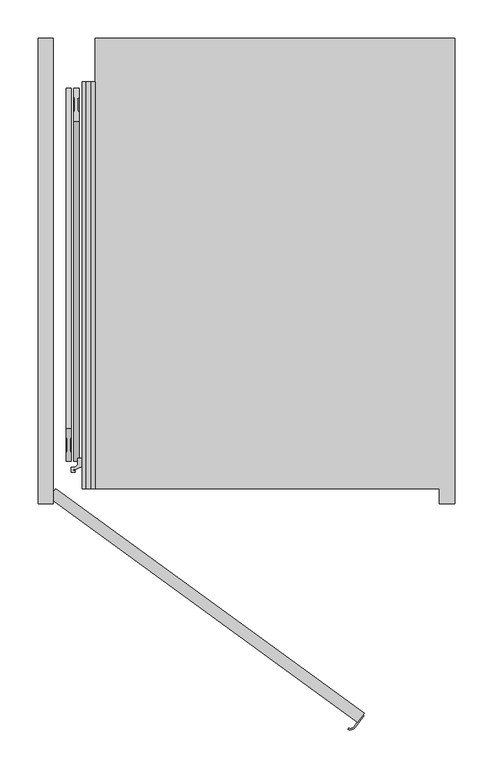
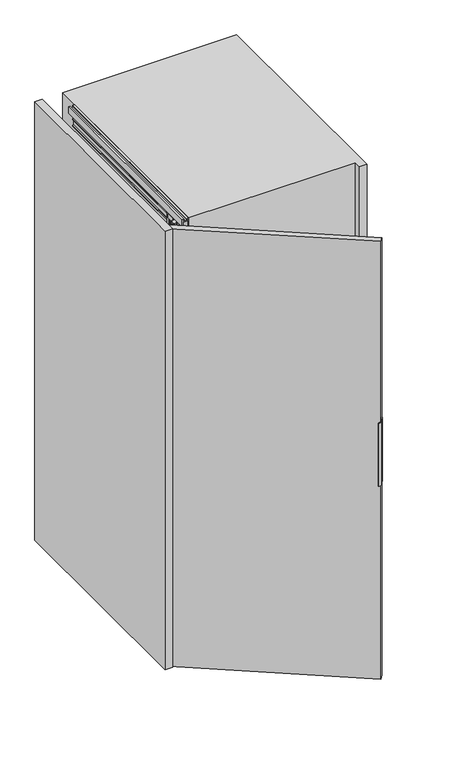
"""IFC4 building model written with IfcOpenShell, lengths in millimetres: furniture geometry."""

from ifc_helpers import new_model, si_unit, point, frame, frame_2d, origin, origin_with_axes, place, context, project, spatial, polyline, circle_curve, trimmed, segment, composite_curve, outline, extrude, faceted_brep, source, transform, mapped, element, save


def furniture_db9694c8(model_context):
    return source(origin(), model_context, "Body", "SolidModel", [
        extrude(outline(composite_curve([segment(polyline([(350.7451414, -296.3196771), (351.9586669, -297.201355), (341.0735707, -312.1834047)]), True, "CONTINUOUS"), segment(trimmed(circle_curve(frame_2d((334.2088338, -307.1958814)), 8.4852814), [point((341.0735707, -312.1834047))], [point((331.167981, -315.117574))], False, "CARTESIAN"), True, "CONTINUOUS"), segment(polyline([(331.167981, -315.117574), (331.7055329, -313.7172034)]), True, "CONTINUOUS"), segment(trimmed(circle_curve(frame_2d((334.2088338, -307.1958814)), 6.9852814), [point((331.7055329, -313.7172034))], [point((339.8600452, -311.3017268))], True, "CARTESIAN"), True, "CONTINUOUS"), segment(polyline([(339.8600452, -311.3017268), (350.7451414, -296.3196771)]), True, "CONTINUOUS")], self_intersect=False)), frame((0.0, 0.0, 560.0), z_axis=(0.0, 0.0, 1.0), x_axis=(1.0, 0.0, 0.0)), (0.0, 0.0, 1.0), 180.0),
        extrude(outline(polyline([(-60.8167788, -12.1352549), (-52.0, 0.0), (352.5084972, -293.8926261), (343.6917184, -306.0278811), (-60.8167788, -12.1352549)])), origin_with_axes(), (0.0, 0.0, 1.0), 1250.0),
        extrude(outline(polyline([(17.0, -17.0), (-2.0, -17.0), (-2.0, -12.75), (0.25, -12.75), (0.25, -15.0), (2.9, -15.0), (2.9, -3.0), (0.25, -3.0), (0.25, -5.25), (-2.0, -5.25), (-2.0, 0.0), (56.5663764, 0.0), (57.0913089, -6.0), (54.1547673, -6.0), (54.1547673, -2.5), (38.5, -2.5), (38.5, -6.0), (35.5, -6.0), (35.5, -3.0104888), (5.5, -3.0104888), (5.5, -15.0), (17.0, -15.0), (17.0, -17.0)])), frame((0.0, 0.0, 0.0), z_axis=(0.0, 1.0, 0.0), x_axis=(0.0, 0.0, 1.0)), (0.0, 0.0, 1.0), 533.0),
        extrude(outline(polyline([(1233.0, -15.0), (1244.5, -15.0), (1244.5, -3.0104888), (1214.5, -3.0104888), (1214.5, -6.0), (1211.5, -6.0), (1211.5, -2.5), (1195.8452327, -2.5), (1195.8452327, -6.0), (1192.9086911, -6.0), (1193.4336236, 0.0), (1252.0, 0.0), (1252.0, -5.25), (1249.75, -5.25), (1249.75, -3.0), (1247.1, -3.0), (1247.1, -15.0), (1249.75, -15.0), (1249.75, -12.75), (1252.0, -12.75), (1252.0, -17.0), (1233.0, -17.0), (1233.0, -15.0)])), frame((0.0, 0.0, 0.0), z_axis=(0.0, 1.0, 0.0), x_axis=(0.0, 0.0, 1.0)), (0.0, 0.0, 1.0), 533.0),
        faceted_brep([(-15.8313044, 44.5, 33.9), (-15.8313044, 68.7, 33.9), (-15.8313044, 68.7, 21.9), (-15.8313044, 44.5, 21.9), (-13.8052444, 68.7, 33.9), (-13.8052444, 44.5, 33.9), (-13.8052444, 44.5, 21.9), (-13.8052444, 68.7, 21.9), (-14.2052444, 68.7, 21.9), (-14.2052444, 68.7, 19.301924), (-14.2052444, 44.5, 19.301924), (-14.2052444, 44.5, 21.9), (-10.2052444, 81.5, 21.9), (-14.2052444, 77.5, 21.9), (-14.2052444, 35.5, 21.9), (-10.2052444, 31.5, 21.9), (-7.8052444, 31.5, 21.9), (-3.8052444, 35.5, 21.9), (-3.8052444, 77.5193461, 21.9), (-7.7858983, 81.5, 21.9), (-3.8052444, 70.0, 9.0920874), (-3.8052444, 42.8540496, 9.0920874), (-14.2052444, 42.8540496, 9.0920874), (-14.2052444, 70.0, 9.0920874), (-10.2052444, 81.5, 14.45), (-14.2052444, 77.5, 14.45), (-14.2052444, 42.8540496, 14.45), (-14.2052444, 35.5, 14.45), (-14.2052444, 70.0, 14.45), (-14.2052444, 64.0, 15.2), (-14.2052444, 49.0, 15.2), (-14.2052444, 49.0, 11.4378021), (-14.2052444, 64.0, 11.4378021), (-10.2052444, 31.5, 14.45), (-7.8052444, 31.5, 14.45), (-3.8052444, 35.5, 14.45), (-3.8052444, 42.8540496, 14.45), (-3.8052444, 70.0, 14.45), (-3.8052444, 77.5193461, 14.45), (-3.8052444, 49.0, 15.2), (-3.8052444, 64.0, 15.2), (-3.8052444, 64.0, 11.4378021), (-3.8052444, 49.0, 11.4378021), (-7.7858983, 81.5, 14.45)], [[[0, 1, 2, 3]], [[4, 5, 6, 7]], [[1, 0, 5, 4]], [[1, 4, 7, 8, 9, 2]], [[5, 0, 3, 10, 11, 6]], [[3, 2, 9, 10]], [[12, 13, 8, 7, 6, 11, 14, 15, 16, 17, 18, 19]], [[20, 21, 22, 23]], [[13, 12, 24, 25]], [[23, 22, 26, 27, 14, 11, 10, 9, 8, 13, 25, 28], [29, 30, 31, 32]], [[15, 14, 27, 33]], [[16, 15, 33, 34]], [[17, 16, 34, 35]], [[18, 17, 35, 36, 21, 20, 37, 38], [39, 40, 41, 42]], [[19, 18, 38, 43]], [[12, 19, 43, 24]], [[37, 28, 25, 24, 43, 38]], [[28, 37, 20, 23]], [[29, 40, 39, 30]], [[40, 29, 32, 41]], [[30, 39, 42, 31]], [[26, 36, 35, 34, 33, 27]], [[36, 26, 22, 21]], [[41, 32, 31, 42]]]),
        extrude(outline(composite_curve([segment(trimmed(circle_curve(frame_2d((-9.0052444, 37.1770248)), 5.75), [point((-9.0052444, 42.9270248))], [point((-9.0052444, 31.4270248))], False, "CARTESIAN"), True, "CONTINUOUS"), segment(trimmed(circle_curve(frame_2d((-9.0052444, 37.1770248)), 5.75), [point((-9.0052444, 31.4270248))], [point((-9.0052444, 42.9270248))], False, "CARTESIAN"), True, "CONTINUOUS")], self_intersect=False)), frame((0.0, 0.0, 6.65), z_axis=(0.0, 0.0, 1.0), x_axis=(1.0, 0.0, 0.0)), (0.0, 0.0, 1.0), 7.3),
        extrude(outline(composite_curve([segment(trimmed(circle_curve(frame_2d((-9.0052444, 56.5)), 5.75), [point((-9.0052444, 62.25))], [point((-9.0052444, 50.75))], False, "CARTESIAN"), True, "CONTINUOUS"), segment(trimmed(circle_curve(frame_2d((-9.0052444, 56.5)), 5.75), [point((-9.0052444, 50.75))], [point((-9.0052444, 62.25))], False, "CARTESIAN"), True, "CONTINUOUS")], self_intersect=False)), frame((0.0, 0.0, 11.4378021), z_axis=(0.0, 0.0, 1.0), x_axis=(1.0, 0.0, 0.0)), (0.0, 0.0, 1.0), 3.7621979),
        extrude(outline(composite_curve([segment(trimmed(circle_curve(frame_2d((-9.0052444, 75.75)), 5.75), [point((-9.0052444, 81.5))], [point((-9.0052444, 70.0))], False, "CARTESIAN"), True, "CONTINUOUS"), segment(trimmed(circle_curve(frame_2d((-9.0052444, 75.75)), 5.75), [point((-9.0052444, 70.0))], [point((-9.0052444, 81.5))], False, "CARTESIAN"), True, "CONTINUOUS")], self_intersect=False)), frame((0.0, 0.0, 6.65), z_axis=(0.0, 0.0, 1.0), x_axis=(1.0, 0.0, 0.0)), (0.0, 0.0, 1.0), 7.3),
        faceted_brep([(-15.8313044, 68.5, 1216.1), (-15.8313044, 44.3, 1216.1), (-15.8313044, 44.3, 1228.1), (-15.8313044, 68.5, 1228.1), (-13.8052444, 44.3, 1216.1), (-13.8052444, 68.5, 1216.1), (-13.8052444, 68.5, 1228.1), (-13.8052444, 44.3, 1228.1), (-14.2052444, 44.3, 1228.1), (-14.2052444, 44.3, 1230.698076), (-14.2052444, 68.5, 1230.698076), (-14.2052444, 68.5, 1228.1), (-10.2052444, 31.5, 1228.1), (-14.2052444, 35.5, 1228.1), (-14.2052444, 77.5, 1228.1), (-10.2052444, 81.5, 1228.1), (-7.8052444, 81.5, 1228.1), (-3.8052444, 77.5, 1228.1), (-3.8052444, 35.4806539, 1228.1), (-7.7858983, 31.5, 1228.1), (-3.8052444, 43.0, 1240.9079126), (-3.8052444, 70.1459504, 1240.9079126), (-14.2052444, 70.1459504, 1240.9079126), (-14.2052444, 43.0, 1240.9079126), (-10.2052444, 31.5, 1235.55), (-14.2052444, 35.5, 1235.55), (-14.2052444, 70.1459504, 1235.55), (-14.2052444, 77.5, 1235.55), (-14.2052444, 43.0, 1235.55), (-14.2052444, 49.0, 1234.8), (-14.2052444, 64.0, 1234.8), (-14.2052444, 64.0, 1238.5621979), (-14.2052444, 49.0, 1238.5621979), (-10.2052444, 81.5, 1235.55), (-7.8052444, 81.5, 1235.55), (-3.8052444, 77.5, 1235.55), (-3.8052444, 70.1459504, 1235.55), (-3.8052444, 43.0, 1235.55), (-3.8052444, 35.4806539, 1235.55), (-3.8052444, 64.0, 1234.8), (-3.8052444, 49.0, 1234.8), (-3.8052444, 49.0, 1238.5621979), (-3.8052444, 64.0, 1238.5621979), (-7.7858983, 31.5, 1235.55)], [[[0, 1, 2, 3]], [[4, 5, 6, 7]], [[1, 0, 5, 4]], [[1, 4, 7, 8, 9, 2]], [[5, 0, 3, 10, 11, 6]], [[3, 2, 9, 10]], [[12, 13, 8, 7, 6, 11, 14, 15, 16, 17, 18, 19]], [[20, 21, 22, 23]], [[13, 12, 24, 25]], [[23, 22, 26, 27, 14, 11, 10, 9, 8, 13, 25, 28], [29, 30, 31, 32]], [[15, 14, 27, 33]], [[16, 15, 33, 34]], [[17, 16, 34, 35]], [[18, 17, 35, 36, 21, 20, 37, 38], [39, 40, 41, 42]], [[19, 18, 38, 43]], [[12, 19, 43, 24]], [[37, 28, 25, 24, 43, 38]], [[28, 37, 20, 23]], [[29, 40, 39, 30]], [[40, 29, 32, 41]], [[30, 39, 42, 31]], [[26, 36, 35, 34, 33, 27]], [[36, 26, 22, 21]], [[41, 32, 31, 42]]]),
        extrude(outline(composite_curve([segment(trimmed(circle_curve(frame_2d((-9.0052444, 75.8229752)), 5.75), [point((-9.0052444, 70.0729752))], [point((-9.0052444, 81.5729752))], False, "CARTESIAN"), True, "CONTINUOUS"), segment(trimmed(circle_curve(frame_2d((-9.0052444, 75.8229752)), 5.75), [point((-9.0052444, 81.5729752))], [point((-9.0052444, 70.0729752))], False, "CARTESIAN"), True, "CONTINUOUS")], self_intersect=False)), frame((0.0, 0.0, 1236.05), z_axis=(0.0, 0.0, 1.0), x_axis=(1.0, 0.0, 0.0)), (0.0, 0.0, 1.0), 7.3),
        extrude(outline(composite_curve([segment(trimmed(circle_curve(frame_2d((-9.0052444, 56.5)), 5.75), [point((-9.0052444, 50.75))], [point((-9.0052444, 62.25))], False, "CARTESIAN"), True, "CONTINUOUS"), segment(trimmed(circle_curve(frame_2d((-9.0052444, 56.5)), 5.75), [point((-9.0052444, 62.25))], [point((-9.0052444, 50.75))], False, "CARTESIAN"), True, "CONTINUOUS")], self_intersect=False)), frame((0.0, 0.0, 1234.8), z_axis=(0.0, 0.0, 1.0), x_axis=(1.0, 0.0, 0.0)), (0.0, 0.0, 1.0), 3.7621979),
        extrude(outline(composite_curve([segment(trimmed(circle_curve(frame_2d((-9.0052444, 37.25)), 5.75), [point((-9.0052444, 31.5))], [point((-9.0052444, 43.0))], False, "CARTESIAN"), True, "CONTINUOUS"), segment(trimmed(circle_curve(frame_2d((-9.0052444, 37.25)), 5.75), [point((-9.0052444, 43.0))], [point((-9.0052444, 31.5))], False, "CARTESIAN"), True, "CONTINUOUS")], self_intersect=False)), frame((0.0, 0.0, 1236.05), z_axis=(0.0, 0.0, 1.0), x_axis=(1.0, 0.0, 0.0)), (0.0, 0.0, 1.0), 7.3),
        extrude(outline(polyline([(-8.4980052, 11.2885509), (-8.4980052, 24.9437823), (-1.5019948, 24.9437823), (-1.5019948, 11.2885509), (-2.9019839, 8.7447793), (-2.9019839, -8.7447793), (-1.5019948, -11.2885509), (-1.5019948, -24.9437823), (-8.4980052, -24.9437823), (-8.4980052, -11.2885509), (-7.0980161, -8.7447793), (-7.0980161, 8.7447793), (-8.4980052, 11.2885509)])), frame((-30.0, 503.0, 263.0), z_axis=(0.0, -0.4947027976397947, 0.869062219871144), x_axis=(1.0, 0.0, 0.0)), (0.0, 0.0, 1.0), 900.0),
        extrude(outline(polyline([(1.5019948, -11.2885509), (2.9019839, -8.7447792), (2.9019839, 8.7447792), (1.5019948, 11.2885509), (1.5019948, 24.9437822), (8.4980052, 24.9437822), (8.4980052, 11.2885509), (7.0980161, 8.7447792), (7.0980161, -8.7447792), (8.4980052, -11.2885509), (8.4980052, -24.9437822), (1.5019948, -24.9437822), (1.5019948, -11.2885509)])), frame((-30.0, 57.7674821, 380.8440021), z_axis=(0.0, 0.4947027976397937, 0.8690622198711445), x_axis=(1.0, 0.0, 0.0)), (0.0, 0.0, 1.0), 900.0),
        extrude(outline(polyline([(-14.6, 76.0), (-6.85, 76.0), (-6.85, 38.0), (-8.85, 36.0), (-11.1, 36.0), (-12.6, 34.5), (-12.6, 28.5720943), (-9.1, 30.5928201), (-9.1, 25.0), (-10.1, 25.0), (-11.1, 26.0), (-14.7999998, 26.0), (-15.99707, 29.2889243), (-21.16538, 27.407813), (-25.2566983, 25.5), (-29.1, 25.5), (-29.1, 23.2), (-26.3, 23.2), (-26.3, 21.5), (-31.6, 21.5), (-31.6, 28.0), (-26.35, 28.0), (-23.35, 31.0), (-23.35, 39.5), (-14.6, 39.5), (-14.6, 44.3), (-12.2, 44.3), (-12.2, 40.8), (-9.6, 40.8), (-9.6, 48.5), (-10.6, 49.5), (-10.6, 63.5), (-9.6, 64.5), (-9.6, 72.2), (-12.2, 72.2), (-12.2, 68.7), (-14.6, 68.7), (-14.6, 76.0)])), frame((0.0, 0.0, 21.9), z_axis=(0.0, 0.0, 1.0), x_axis=(1.0, 0.0, 0.0)), (0.0, 0.0, 1.0), 1206.2),
        extrude(outline(polyline([(-75.0, 590.0), (-55.0, 590.0), (-55.0, -20.0), (-75.0, -20.0), (-75.0, 590.0)])), origin_with_axes(), (0.0, 0.0, 1.0), 1252.0),
        extrude(outline(polyline([(451.0, 0.0), (0.0, 0.0), (0.0, 590.0), (471.0, 590.0), (471.0, -20.0), (451.0, -20.0), (451.0, 0.0)])), frame((0.0, 0.0, -2.0), z_axis=(0.0, 0.0, 1.0), x_axis=(1.0, 0.0, 0.0)), (0.0, 0.0, 1.0), 1254.0),
    ])


if __name__ == "__main__":
    model = new_model("IFC4")
    model_context = context("Model", 3, world=origin())
    ifc_project = project(units=[si_unit("LENGTHUNIT", "METRE", prefix="MILLI")], contexts=[model_context])
    site = spatial("IfcSite", under=ifc_project)
    building = spatial("IfcBuilding", under=site)
    placement = place(None, origin())
    furniture_shape = furniture_db9694c8(model_context)
    element("IfcFurniture", 1, at=placement, inside=building, context=model_context, shape_type="MappedRepresentation", body=[
        mapped(furniture_shape, transform((0.0, 0.0, 0.0), x_axis=(1.0, 0.0, 0.0), y_axis=(0.0, 1.0, 0.0), z_axis=(0.0, 0.0, 1.0))),
    ])
    save(model, "model.ifc")
